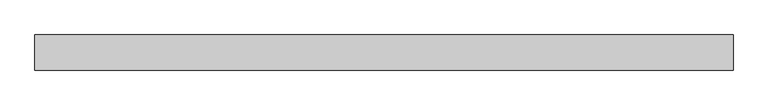
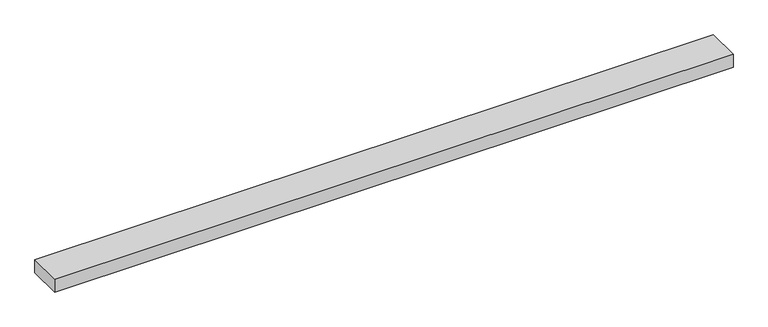
"""IFC4 building model written with IfcOpenShell, lengths in millimetres: beam geometry."""

from ifc_helpers import new_model, si_unit, frame, origin, place, context, project, spatial, polyline, outline, extrude, source, transform, mapped, element, save


def beam_63ffa92a(model_context):
    return source(origin(), model_context, "Body", "SweptSolid", [
        extrude(outline(polyline([(678.5, -35.0), (-713.5, -35.0), (-713.5, 35.0), (678.5, 35.0), (678.5, -35.0)])), frame((0.0, 0.0, -14.0), z_axis=(0.0, 0.0, 1.0), x_axis=(1.0, 0.0, 0.0)), (0.0, 0.0, 1.0), 28.0),
    ])


if __name__ == "__main__":
    model = new_model("IFC4")
    model_context = context("Model", 3, world=origin())
    ifc_project = project(units=[si_unit("LENGTHUNIT", "METRE", prefix="MILLI")], contexts=[model_context])
    site = spatial("IfcSite", under=ifc_project)
    building = spatial("IfcBuilding", under=site)
    placement = place(None, origin())
    beam_shape = beam_63ffa92a(model_context)
    element("IfcBeam", 1, at=placement, inside=building, context=model_context, shape_type="MappedRepresentation", body=[
        mapped(beam_shape, transform((0.0, 0.0, 0.0), x_axis=(1.0, 0.0, 0.0), y_axis=(0.0, 1.0, 0.0), z_axis=(0.0, 0.0, 1.0))),
    ])
    save(model, "model.ifc")
